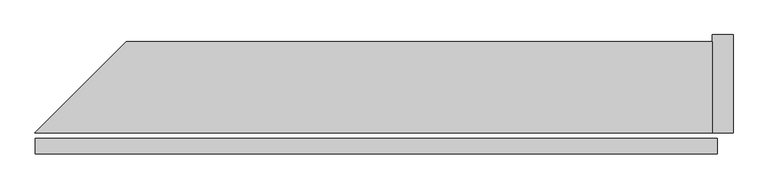
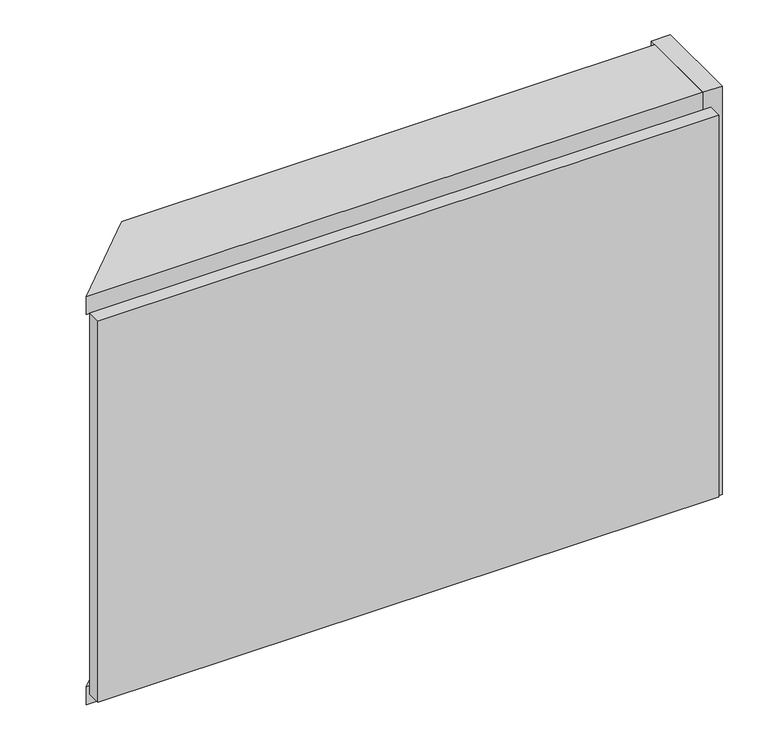
"""IFC4 building model written with IfcOpenShell, lengths in millimetres: plate geometry."""

from ifc_helpers import new_model, si_unit, frame, origin, origin_with_axes, place, context, project, spatial, polyline, outline, extrude, source, transform, mapped, element, save


def plate_544250f6(model_context):
    return source(origin(), model_context, "Body", "SweptSolid", [
        extrude(outline(polyline([(973.0, 0.0), (-973.0, 0.0), (-973.0, 44.0), (973.0, 44.0), (973.0, 0.0)])), origin_with_axes(), (0.0, 0.0, 1.0), 1264.465707),
        extrude(outline(polyline([(958.0, 260.0), (958.0, 60.0), (-973.5735931, 60.0), (-773.5735931, 260.0), (958.0, 260.0)])), frame((0.0, 0.0, -45.0), z_axis=(0.0, 0.0, 1.0), x_axis=(1.0, 0.0, 0.0)), (0.0, 0.0, 1.0), 60.0),
        extrude(outline(polyline([(958.0, 320.0), (958.0, 60.0), (-973.5735931, 60.0), (-713.5735931, 320.0), (958.0, 320.0)])), frame((0.0, 0.0, 1249.465707), z_axis=(0.0, 0.0, 1.0), x_axis=(1.0, 0.0, 0.0)), (0.0, 0.0, 1.0), 60.0),
        extrude(outline(polyline([(1018.0, 60.0), (958.0, 60.0), (958.0, 340.0), (1018.0, 340.0), (1018.0, 60.0)])), frame((0.0, 0.0, -45.0), z_axis=(0.0, 0.0, 1.0), x_axis=(1.0, 0.0, 0.0)), (0.0, 0.0, 1.0), 1354.465707),
    ])


if __name__ == "__main__":
    model = new_model("IFC4")
    model_context = context("Model", 3, world=origin())
    ifc_project = project(units=[si_unit("LENGTHUNIT", "METRE", prefix="MILLI")], contexts=[model_context])
    site = spatial("IfcSite", under=ifc_project)
    building = spatial("IfcBuilding", under=site)
    placement = place(None, origin())
    plate_shape = plate_544250f6(model_context)
    element("IfcPlate", 1, at=placement, inside=building, context=model_context, shape_type="MappedRepresentation", body=[
        mapped(plate_shape, transform((0.0, 0.0, 0.0), x_axis=(1.0, 0.0, 0.0), y_axis=(0.0, 1.0, 0.0), z_axis=(0.0, 0.0, 1.0))),
    ])
    save(model, "model.ifc")
